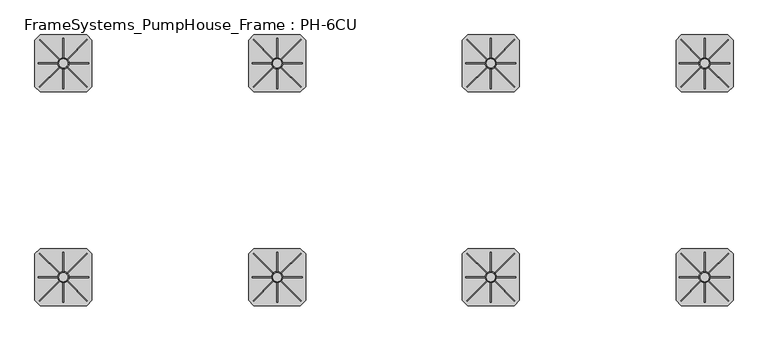
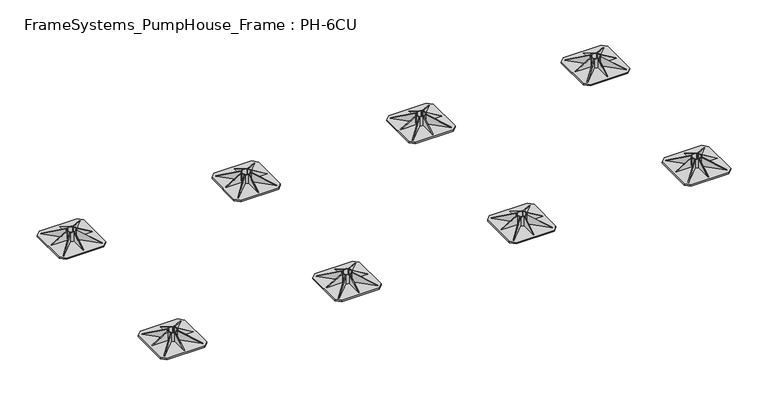
"""IFC4 building model written with IfcOpenShell, lengths in millimetres: beam geometry, FrameSystems_PumpHouse_Frame : PH-6CU."""

from ifc_helpers import new_model, si_unit, point, frame, frame_2d, origin, origin_with_axes, origin_2d, place, context, project, spatial, polyline, circle_curve, trimmed, segment, composite_curve, outline, extrude, source, transform, mapped, element, save


def framesystems_pumphouse_frame_ph_6cu_a0837420(model_context):
    return source(origin(), model_context, "Body", "SweptSolid", [
        extrude(outline(polyline([(0.0, 0.0), (169.9235121, 0.0), (145.0593839, -60.0564328), (0.0, 0.0)])), frame((3731.5218613, 1064.9426048, 10.0), z_axis=(0.7071067811865491, 0.7071067811865459, 0.0), x_axis=(-0.653327860317026, 0.653327860317029, 0.3825250499864671)), (0.0, 0.0, 1.0), 5.0),
        extrude(outline(polyline([(0.0, 0.0), (-145.0593839, -60.0564328), (-169.9235121, 0.0), (0.0, 0.0)])), frame((3468.4781387, 1064.9426048, 10.0), z_axis=(-0.7071067811865449, 0.7071067811865502, 0.0), x_axis=(-0.65332786031703, -0.653327860317025, -0.38252504998646697)), (0.0, 0.0, 1.0), 5.0),
        extrude(outline(polyline([(0.0, 0.0), (169.9235121, 0.0), (145.0593839, -60.0564328), (0.0, 0.0)])), frame((3735.0573952, 1331.5218613, 10.0), z_axis=(-0.707106781186539, 0.7071067811865561, 0.0), x_axis=(-0.6533278603170355, -0.6533278603170196, 0.3825250499864671)), (0.0, 0.0, 1.0), 5.0),
        extrude(outline(polyline([(10.0, 3458.5), (10.0, 3568.5), (75.0, 3568.5), (10.0, 3458.5)])), frame((0.0, 1197.5, 0.0), z_axis=(0.0, 1.0, 0.0), x_axis=(0.0, 0.0, 1.0)), (0.0, 0.0, 1.0), 5.0),
        extrude(outline(polyline([(1341.5, 10.0), (1231.5, 10.0), (1231.5, 75.0), (1341.5, 10.0)])), frame((3597.5, 0.0, 0.0), z_axis=(1.0, 0.0, 0.0), x_axis=(0.0, 1.0, 0.0)), (0.0, 0.0, 1.0), 5.0),
        extrude(outline(polyline([(1058.5, 10.0), (1168.5, 75.0), (1168.5, 10.0), (1058.5, 10.0)])), frame((3597.5, 0.0, 0.0), z_axis=(1.0, 0.0, 0.0), x_axis=(0.0, 1.0, 0.0)), (0.0, 0.0, 1.0), 5.0),
        extrude(outline(polyline([(0.0, 0.0), (-145.0593839, -60.0564328), (-169.9235121, 0.0), (0.0, 0.0)])), frame((3464.9426048, 1331.5218613, 10.0), z_axis=(0.7071067811865491, 0.707106781186546, 0.0), x_axis=(-0.6533278603170262, 0.653327860317029, -0.3825250499864671)), (0.0, 0.0, 1.0), 5.0),
        extrude(outline(polyline([(10.0, 3741.5), (75.0, 3631.5), (10.0, 3631.5), (10.0, 3741.5)])), frame((0.0, 1197.5, 0.0), z_axis=(0.0, 1.0, 0.0), x_axis=(0.0, 0.0, 1.0)), (0.0, 0.0, 1.0), 5.0),
        extrude(outline(composite_curve([segment(trimmed(circle_curve(frame_2d((3600.0, 1200.0)), 31.5), [point((3568.5, 1200.0))], [point((3631.5, 1200.0))], False, "CARTESIAN"), True, "CONTINUOUS"), segment(trimmed(circle_curve(frame_2d((3600.0, 1200.0)), 31.5), [point((3631.5, 1200.0))], [point((3568.5, 1200.0))], False, "CARTESIAN"), True, "CONTINUOUS")], self_intersect=False), holes=[composite_curve([segment(polyline([(3580.0, 1185.0), (3580.0, 1180.0), (3585.0, 1180.0)]), True, "CONTINUOUS"), segment(trimmed(circle_curve(frame_2d((3600.0, 1200.0)), 25.0), [point((3585.0, 1180.0))], [point((3615.0, 1180.0))], True, "CARTESIAN"), True, "CONTINUOUS"), segment(polyline([(3615.0, 1180.0), (3620.0, 1180.0), (3620.0, 1185.0)]), True, "CONTINUOUS"), segment(trimmed(circle_curve(frame_2d((3600.0, 1200.0)), 25.0), [point((3620.0, 1185.0))], [point((3620.0, 1215.0))], True, "CARTESIAN"), True, "CONTINUOUS"), segment(polyline([(3620.0, 1215.0), (3620.0, 1220.0), (3615.0, 1220.0)]), True, "CONTINUOUS"), segment(trimmed(circle_curve(frame_2d((3600.0, 1200.0)), 25.0), [point((3615.0, 1220.0))], [point((3585.0, 1220.0))], True, "CARTESIAN"), True, "CONTINUOUS"), segment(polyline([(3585.0, 1220.0), (3580.0, 1220.0), (3580.0, 1215.0)]), True, "CONTINUOUS"), segment(trimmed(circle_curve(frame_2d((3600.0, 1200.0)), 25.0), [point((3580.0, 1215.0))], [point((3580.0, 1185.0))], True, "CARTESIAN"), True, "CONTINUOUS")], self_intersect=False)]), frame((0.0, 0.0, 10.0), z_axis=(0.0, 0.0, 1.0), x_axis=(1.0, 0.0, 0.0)), (0.0, 0.0, 1.0), 65.0),
        extrude(outline(polyline([(3730.0, 1360.0), (3760.0, 1330.0), (3760.0, 1070.0), (3730.0, 1040.0), (3470.0, 1040.0), (3440.0, 1070.0), (3440.0, 1330.0), (3470.0, 1360.0), (3730.0, 1360.0)])), origin_with_axes(), (0.0, 0.0, 1.0), 10.0),
        extrude(outline(polyline([(0.0, 0.0), (169.9235121, 0.0), (145.0593839, -60.0564328), (0.0, 0.0)])), frame((3731.5218613, -135.0573952, 10.0), z_axis=(0.7071067811865491, 0.7071067811865459, 0.0), x_axis=(-0.653327860317026, 0.653327860317029, 0.3825250499864671)), (0.0, 0.0, 1.0), 5.0),
        extrude(outline(polyline([(0.0, 0.0), (-145.0593839, -60.0564328), (-169.9235121, 0.0), (0.0, 0.0)])), frame((3468.4781387, -135.0573952, 10.0), z_axis=(-0.7071067811865449, 0.7071067811865502, 0.0), x_axis=(-0.65332786031703, -0.653327860317025, -0.38252504998646697)), (0.0, 0.0, 1.0), 5.0),
        extrude(outline(polyline([(0.0, 0.0), (169.9235121, 0.0), (145.0593839, -60.0564328), (0.0, 0.0)])), frame((3735.0573952, 131.5218613, 10.0), z_axis=(-0.707106781186539, 0.7071067811865561, 0.0), x_axis=(-0.6533278603170355, -0.6533278603170196, 0.3825250499864671)), (0.0, 0.0, 1.0), 5.0),
        extrude(outline(polyline([(10.0, 3458.5), (10.0, 3568.5), (75.0, 3568.5), (10.0, 3458.5)])), frame((0.0, -2.5, 0.0), z_axis=(0.0, 1.0, 0.0), x_axis=(0.0, 0.0, 1.0)), (0.0, 0.0, 1.0), 5.0),
        extrude(outline(polyline([(141.5, 10.0), (31.5, 10.0), (31.5, 75.0), (141.5, 10.0)])), frame((3597.5, 0.0, 0.0), z_axis=(1.0, 0.0, 0.0), x_axis=(0.0, 1.0, 0.0)), (0.0, 0.0, 1.0), 5.0),
        extrude(outline(polyline([(-141.5, 10.0), (-31.5, 75.0), (-31.5, 10.0), (-141.5, 10.0)])), frame((3597.5, 0.0, 0.0), z_axis=(1.0, 0.0, 0.0), x_axis=(0.0, 1.0, 0.0)), (0.0, 0.0, 1.0), 5.0),
        extrude(outline(polyline([(0.0, 0.0), (-145.0593839, -60.0564328), (-169.9235121, 0.0), (0.0, 0.0)])), frame((3464.9426048, 131.5218613, 10.0), z_axis=(0.7071067811865491, 0.707106781186546, 0.0), x_axis=(-0.6533278603170262, 0.653327860317029, -0.3825250499864671)), (0.0, 0.0, 1.0), 5.0),
        extrude(outline(polyline([(10.0, 3741.5), (75.0, 3631.5), (10.0, 3631.5), (10.0, 3741.5)])), frame((0.0, -2.5, 0.0), z_axis=(0.0, 1.0, 0.0), x_axis=(0.0, 0.0, 1.0)), (0.0, 0.0, 1.0), 5.0),
        extrude(outline(composite_curve([segment(trimmed(circle_curve(frame_2d((3600.0, 0.0)), 31.5), [point((3568.5, 0.0))], [point((3631.5, 0.0))], False, "CARTESIAN"), True, "CONTINUOUS"), segment(trimmed(circle_curve(frame_2d((3600.0, 0.0)), 31.5), [point((3631.5, 0.0))], [point((3568.5, 0.0))], False, "CARTESIAN"), True, "CONTINUOUS")], self_intersect=False), holes=[composite_curve([segment(polyline([(3580.0, -15.0), (3580.0, -20.0), (3585.0, -20.0)]), True, "CONTINUOUS"), segment(trimmed(circle_curve(frame_2d((3600.0, 0.0)), 25.0), [point((3585.0, -20.0))], [point((3615.0, -20.0))], True, "CARTESIAN"), True, "CONTINUOUS"), segment(polyline([(3615.0, -20.0), (3620.0, -20.0), (3620.0, -15.0)]), True, "CONTINUOUS"), segment(trimmed(circle_curve(frame_2d((3600.0, 0.0)), 25.0), [point((3620.0, -15.0))], [point((3620.0, 15.0))], True, "CARTESIAN"), True, "CONTINUOUS"), segment(polyline([(3620.0, 15.0), (3620.0, 20.0), (3615.0, 20.0)]), True, "CONTINUOUS"), segment(trimmed(circle_curve(frame_2d((3600.0, 0.0)), 25.0), [point((3615.0, 20.0))], [point((3585.0, 20.0))], True, "CARTESIAN"), True, "CONTINUOUS"), segment(polyline([(3585.0, 20.0), (3580.0, 20.0), (3580.0, 15.0)]), True, "CONTINUOUS"), segment(trimmed(circle_curve(frame_2d((3600.0, 0.0)), 25.0), [point((3580.0, 15.0))], [point((3580.0, -15.0))], True, "CARTESIAN"), True, "CONTINUOUS")], self_intersect=False)]), frame((0.0, 0.0, 10.0), z_axis=(0.0, 0.0, 1.0), x_axis=(1.0, 0.0, 0.0)), (0.0, 0.0, 1.0), 65.0),
        extrude(outline(polyline([(3730.0, 160.0), (3760.0, 130.0), (3760.0, -130.0), (3730.0, -160.0), (3470.0, -160.0), (3440.0, -130.0), (3440.0, 130.0), (3470.0, 160.0), (3730.0, 160.0)])), origin_with_axes(), (0.0, 0.0, 1.0), 10.0),
        extrude(outline(polyline([(0.0, 0.0), (169.9235121, 0.0), (145.0593839, -60.0564328), (0.0, 0.0)])), frame((2531.5218613, 1064.9426048, 10.0), z_axis=(0.7071067811865491, 0.7071067811865459, 0.0), x_axis=(-0.653327860317026, 0.653327860317029, 0.3825250499864671)), (0.0, 0.0, 1.0), 5.0),
        extrude(outline(polyline([(0.0, 0.0), (-145.0593839, -60.0564328), (-169.9235121, 0.0), (0.0, 0.0)])), frame((2268.4781387, 1064.9426048, 10.0), z_axis=(-0.7071067811865449, 0.7071067811865502, 0.0), x_axis=(-0.65332786031703, -0.653327860317025, -0.38252504998646697)), (0.0, 0.0, 1.0), 5.0),
        extrude(outline(polyline([(0.0, 0.0), (169.9235121, 0.0), (145.0593839, -60.0564328), (0.0, 0.0)])), frame((2535.0573952, 1331.5218613, 10.0), z_axis=(-0.707106781186539, 0.7071067811865561, 0.0), x_axis=(-0.6533278603170355, -0.6533278603170196, 0.3825250499864671)), (0.0, 0.0, 1.0), 5.0),
        extrude(outline(polyline([(10.0, 2258.5), (10.0, 2368.5), (75.0, 2368.5), (10.0, 2258.5)])), frame((0.0, 1197.5, 0.0), z_axis=(0.0, 1.0, 0.0), x_axis=(0.0, 0.0, 1.0)), (0.0, 0.0, 1.0), 5.0),
        extrude(outline(polyline([(1341.5, 10.0), (1231.5, 10.0), (1231.5, 75.0), (1341.5, 10.0)])), frame((2397.5, 0.0, 0.0), z_axis=(1.0, 0.0, 0.0), x_axis=(0.0, 1.0, 0.0)), (0.0, 0.0, 1.0), 5.0),
        extrude(outline(polyline([(1058.5, 10.0), (1168.5, 75.0), (1168.5, 10.0), (1058.5, 10.0)])), frame((2397.5, 0.0, 0.0), z_axis=(1.0, 0.0, 0.0), x_axis=(0.0, 1.0, 0.0)), (0.0, 0.0, 1.0), 5.0),
        extrude(outline(polyline([(0.0, 0.0), (-145.0593839, -60.0564328), (-169.9235121, 0.0), (0.0, 0.0)])), frame((2264.9426048, 1331.5218613, 10.0), z_axis=(0.7071067811865491, 0.707106781186546, 0.0), x_axis=(-0.6533278603170262, 0.653327860317029, -0.3825250499864671)), (0.0, 0.0, 1.0), 5.0),
        extrude(outline(polyline([(10.0, 2541.5), (75.0, 2431.5), (10.0, 2431.5), (10.0, 2541.5)])), frame((0.0, 1197.5, 0.0), z_axis=(0.0, 1.0, 0.0), x_axis=(0.0, 0.0, 1.0)), (0.0, 0.0, 1.0), 5.0),
        extrude(outline(composite_curve([segment(trimmed(circle_curve(frame_2d((2400.0, 1200.0)), 31.5), [point((2368.5, 1200.0))], [point((2431.5, 1200.0))], False, "CARTESIAN"), True, "CONTINUOUS"), segment(trimmed(circle_curve(frame_2d((2400.0, 1200.0)), 31.5), [point((2431.5, 1200.0))], [point((2368.5, 1200.0))], False, "CARTESIAN"), True, "CONTINUOUS")], self_intersect=False), holes=[composite_curve([segment(polyline([(2380.0, 1185.0), (2380.0, 1180.0), (2385.0, 1180.0)]), True, "CONTINUOUS"), segment(trimmed(circle_curve(frame_2d((2400.0, 1200.0)), 25.0), [point((2385.0, 1180.0))], [point((2415.0, 1180.0))], True, "CARTESIAN"), True, "CONTINUOUS"), segment(polyline([(2415.0, 1180.0), (2420.0, 1180.0), (2420.0, 1185.0)]), True, "CONTINUOUS"), segment(trimmed(circle_curve(frame_2d((2400.0, 1200.0)), 25.0), [point((2420.0, 1185.0))], [point((2420.0, 1215.0))], True, "CARTESIAN"), True, "CONTINUOUS"), segment(polyline([(2420.0, 1215.0), (2420.0, 1220.0), (2415.0, 1220.0)]), True, "CONTINUOUS"), segment(trimmed(circle_curve(frame_2d((2400.0, 1200.0)), 25.0), [point((2415.0, 1220.0))], [point((2385.0, 1220.0))], True, "CARTESIAN"), True, "CONTINUOUS"), segment(polyline([(2385.0, 1220.0), (2380.0, 1220.0), (2380.0, 1215.0)]), True, "CONTINUOUS"), segment(trimmed(circle_curve(frame_2d((2400.0, 1200.0)), 25.0), [point((2380.0, 1215.0))], [point((2380.0, 1185.0))], True, "CARTESIAN"), True, "CONTINUOUS")], self_intersect=False)]), frame((0.0, 0.0, 10.0), z_axis=(0.0, 0.0, 1.0), x_axis=(1.0, 0.0, 0.0)), (0.0, 0.0, 1.0), 65.0),
        extrude(outline(polyline([(2530.0, 1360.0), (2560.0, 1330.0), (2560.0, 1070.0), (2530.0, 1040.0), (2270.0, 1040.0), (2240.0, 1070.0), (2240.0, 1330.0), (2270.0, 1360.0), (2530.0, 1360.0)])), origin_with_axes(), (0.0, 0.0, 1.0), 10.0),
        extrude(outline(polyline([(0.0, 0.0), (169.9235121, 0.0), (145.0593839, -60.0564328), (0.0, 0.0)])), frame((2531.5218613, -135.0573952, 10.0), z_axis=(0.7071067811865491, 0.7071067811865459, 0.0), x_axis=(-0.653327860317026, 0.653327860317029, 0.3825250499864671)), (0.0, 0.0, 1.0), 5.0),
        extrude(outline(polyline([(0.0, 0.0), (-145.0593839, -60.0564328), (-169.9235121, 0.0), (0.0, 0.0)])), frame((2268.4781387, -135.0573952, 10.0), z_axis=(-0.7071067811865449, 0.7071067811865502, 0.0), x_axis=(-0.65332786031703, -0.653327860317025, -0.38252504998646697)), (0.0, 0.0, 1.0), 5.0),
        extrude(outline(polyline([(0.0, 0.0), (169.9235121, 0.0), (145.0593839, -60.0564328), (0.0, 0.0)])), frame((2535.0573952, 131.5218613, 10.0), z_axis=(-0.707106781186539, 0.7071067811865561, 0.0), x_axis=(-0.6533278603170355, -0.6533278603170196, 0.3825250499864671)), (0.0, 0.0, 1.0), 5.0),
        extrude(outline(polyline([(10.0, 2258.5), (10.0, 2368.5), (75.0, 2368.5), (10.0, 2258.5)])), frame((0.0, -2.5, 0.0), z_axis=(0.0, 1.0, 0.0), x_axis=(0.0, 0.0, 1.0)), (0.0, 0.0, 1.0), 5.0),
        extrude(outline(polyline([(141.5, 10.0), (31.5, 10.0), (31.5, 75.0), (141.5, 10.0)])), frame((2397.5, 0.0, 0.0), z_axis=(1.0, 0.0, 0.0), x_axis=(0.0, 1.0, 0.0)), (0.0, 0.0, 1.0), 5.0),
        extrude(outline(polyline([(-141.5, 10.0), (-31.5, 75.0), (-31.5, 10.0), (-141.5, 10.0)])), frame((2397.5, 0.0, 0.0), z_axis=(1.0, 0.0, 0.0), x_axis=(0.0, 1.0, 0.0)), (0.0, 0.0, 1.0), 5.0),
        extrude(outline(polyline([(0.0, 0.0), (-145.0593839, -60.0564328), (-169.9235121, 0.0), (0.0, 0.0)])), frame((2264.9426048, 131.5218613, 10.0), z_axis=(0.7071067811865491, 0.707106781186546, 0.0), x_axis=(-0.6533278603170262, 0.653327860317029, -0.3825250499864671)), (0.0, 0.0, 1.0), 5.0),
        extrude(outline(polyline([(10.0, 2541.5), (75.0, 2431.5), (10.0, 2431.5), (10.0, 2541.5)])), frame((0.0, -2.5, 0.0), z_axis=(0.0, 1.0, 0.0), x_axis=(0.0, 0.0, 1.0)), (0.0, 0.0, 1.0), 5.0),
        extrude(outline(composite_curve([segment(trimmed(circle_curve(frame_2d((2400.0, 0.0)), 31.5), [point((2368.5, 0.0))], [point((2431.5, 0.0))], False, "CARTESIAN"), True, "CONTINUOUS"), segment(trimmed(circle_curve(frame_2d((2400.0, 0.0)), 31.5), [point((2431.5, 0.0))], [point((2368.5, 0.0))], False, "CARTESIAN"), True, "CONTINUOUS")], self_intersect=False), holes=[composite_curve([segment(polyline([(2380.0, -15.0), (2380.0, -20.0), (2385.0, -20.0)]), True, "CONTINUOUS"), segment(trimmed(circle_curve(frame_2d((2400.0, 0.0)), 25.0), [point((2385.0, -20.0))], [point((2415.0, -20.0))], True, "CARTESIAN"), True, "CONTINUOUS"), segment(polyline([(2415.0, -20.0), (2420.0, -20.0), (2420.0, -15.0)]), True, "CONTINUOUS"), segment(trimmed(circle_curve(frame_2d((2400.0, 0.0)), 25.0), [point((2420.0, -15.0))], [point((2420.0, 15.0))], True, "CARTESIAN"), True, "CONTINUOUS"), segment(polyline([(2420.0, 15.0), (2420.0, 20.0), (2415.0, 20.0)]), True, "CONTINUOUS"), segment(trimmed(circle_curve(frame_2d((2400.0, 0.0)), 25.0), [point((2415.0, 20.0))], [point((2385.0, 20.0))], True, "CARTESIAN"), True, "CONTINUOUS"), segment(polyline([(2385.0, 20.0), (2380.0, 20.0), (2380.0, 15.0)]), True, "CONTINUOUS"), segment(trimmed(circle_curve(frame_2d((2400.0, 0.0)), 25.0), [point((2380.0, 15.0))], [point((2380.0, -15.0))], True, "CARTESIAN"), True, "CONTINUOUS")], self_intersect=False)]), frame((0.0, 0.0, 10.0), z_axis=(0.0, 0.0, 1.0), x_axis=(1.0, 0.0, 0.0)), (0.0, 0.0, 1.0), 65.0),
        extrude(outline(polyline([(2530.0, 160.0), (2560.0, 130.0), (2560.0, -130.0), (2530.0, -160.0), (2270.0, -160.0), (2240.0, -130.0), (2240.0, 130.0), (2270.0, 160.0), (2530.0, 160.0)])), origin_with_axes(), (0.0, 0.0, 1.0), 10.0),
        extrude(outline(polyline([(0.0, 0.0), (169.9235121, 0.0), (145.0593839, -60.0564328), (0.0, 0.0)])), frame((1331.5218613, 1064.9426048, 10.0), z_axis=(0.7071067811865491, 0.7071067811865459, 0.0), x_axis=(-0.653327860317026, 0.653327860317029, 0.3825250499864671)), (0.0, 0.0, 1.0), 5.0),
        extrude(outline(polyline([(0.0, 0.0), (-145.0593839, -60.0564328), (-169.9235121, 0.0), (0.0, 0.0)])), frame((1068.4781387, 1064.9426048, 10.0), z_axis=(-0.7071067811865449, 0.7071067811865502, 0.0), x_axis=(-0.65332786031703, -0.653327860317025, -0.38252504998646697)), (0.0, 0.0, 1.0), 5.0),
        extrude(outline(polyline([(0.0, 0.0), (169.9235121, 0.0), (145.0593839, -60.0564328), (0.0, 0.0)])), frame((1335.0573952, 1331.5218613, 10.0), z_axis=(-0.707106781186539, 0.7071067811865561, 0.0), x_axis=(-0.6533278603170355, -0.6533278603170196, 0.3825250499864671)), (0.0, 0.0, 1.0), 5.0),
        extrude(outline(polyline([(10.0, 1058.5), (10.0, 1168.5), (75.0, 1168.5), (10.0, 1058.5)])), frame((0.0, 1197.5, 0.0), z_axis=(0.0, 1.0, 0.0), x_axis=(0.0, 0.0, 1.0)), (0.0, 0.0, 1.0), 5.0),
        extrude(outline(polyline([(1341.5, 10.0), (1231.5, 10.0), (1231.5, 75.0), (1341.5, 10.0)])), frame((1197.5, 0.0, 0.0), z_axis=(1.0, 0.0, 0.0), x_axis=(0.0, 1.0, 0.0)), (0.0, 0.0, 1.0), 5.0),
        extrude(outline(polyline([(1058.5, 10.0), (1168.5, 75.0), (1168.5, 10.0), (1058.5, 10.0)])), frame((1197.5, 0.0, 0.0), z_axis=(1.0, 0.0, 0.0), x_axis=(0.0, 1.0, 0.0)), (0.0, 0.0, 1.0), 5.0),
        extrude(outline(polyline([(0.0, 0.0), (-145.0593839, -60.0564328), (-169.9235121, 0.0), (0.0, 0.0)])), frame((1064.9426048, 1331.5218613, 10.0), z_axis=(0.7071067811865491, 0.707106781186546, 0.0), x_axis=(-0.6533278603170262, 0.653327860317029, -0.3825250499864671)), (0.0, 0.0, 1.0), 5.0),
        extrude(outline(polyline([(10.0, 1341.5), (75.0, 1231.5), (10.0, 1231.5), (10.0, 1341.5)])), frame((0.0, 1197.5, 0.0), z_axis=(0.0, 1.0, 0.0), x_axis=(0.0, 0.0, 1.0)), (0.0, 0.0, 1.0), 5.0),
        extrude(outline(composite_curve([segment(trimmed(circle_curve(frame_2d((1200.0, 1200.0)), 31.5), [point((1168.5, 1200.0))], [point((1231.5, 1200.0))], False, "CARTESIAN"), True, "CONTINUOUS"), segment(trimmed(circle_curve(frame_2d((1200.0, 1200.0)), 31.5), [point((1231.5, 1200.0))], [point((1168.5, 1200.0))], False, "CARTESIAN"), True, "CONTINUOUS")], self_intersect=False), holes=[composite_curve([segment(polyline([(1180.0, 1185.0), (1180.0, 1180.0), (1185.0, 1180.0)]), True, "CONTINUOUS"), segment(trimmed(circle_curve(frame_2d((1200.0, 1200.0)), 25.0), [point((1185.0, 1180.0))], [point((1215.0, 1180.0))], True, "CARTESIAN"), True, "CONTINUOUS"), segment(polyline([(1215.0, 1180.0), (1220.0, 1180.0), (1220.0, 1185.0)]), True, "CONTINUOUS"), segment(trimmed(circle_curve(frame_2d((1200.0, 1200.0)), 25.0), [point((1220.0, 1185.0))], [point((1220.0, 1215.0))], True, "CARTESIAN"), True, "CONTINUOUS"), segment(polyline([(1220.0, 1215.0), (1220.0, 1220.0), (1215.0, 1220.0)]), True, "CONTINUOUS"), segment(trimmed(circle_curve(frame_2d((1200.0, 1200.0)), 25.0), [point((1215.0, 1220.0))], [point((1185.0, 1220.0))], True, "CARTESIAN"), True, "CONTINUOUS"), segment(polyline([(1185.0, 1220.0), (1180.0, 1220.0), (1180.0, 1215.0)]), True, "CONTINUOUS"), segment(trimmed(circle_curve(frame_2d((1200.0, 1200.0)), 25.0), [point((1180.0, 1215.0))], [point((1180.0, 1185.0))], True, "CARTESIAN"), True, "CONTINUOUS")], self_intersect=False)]), frame((0.0, 0.0, 10.0), z_axis=(0.0, 0.0, 1.0), x_axis=(1.0, 0.0, 0.0)), (0.0, 0.0, 1.0), 65.0),
        extrude(outline(polyline([(1330.0, 1360.0), (1360.0, 1330.0), (1360.0, 1070.0), (1330.0, 1040.0), (1070.0, 1040.0), (1040.0, 1070.0), (1040.0, 1330.0), (1070.0, 1360.0), (1330.0, 1360.0)])), origin_with_axes(), (0.0, 0.0, 1.0), 10.0),
        extrude(outline(polyline([(0.0, 0.0), (169.9235121, 0.0), (145.0593839, -60.0564328), (0.0, 0.0)])), frame((1331.5218613, -135.0573952, 10.0), z_axis=(0.7071067811865491, 0.7071067811865459, 0.0), x_axis=(-0.653327860317026, 0.653327860317029, 0.3825250499864671)), (0.0, 0.0, 1.0), 5.0),
        extrude(outline(polyline([(0.0, 0.0), (-145.0593839, -60.0564328), (-169.9235121, 0.0), (0.0, 0.0)])), frame((1068.4781387, -135.0573952, 10.0), z_axis=(-0.7071067811865449, 0.7071067811865502, 0.0), x_axis=(-0.65332786031703, -0.653327860317025, -0.38252504998646697)), (0.0, 0.0, 1.0), 5.0),
        extrude(outline(polyline([(0.0, 0.0), (169.9235121, 0.0), (145.0593839, -60.0564328), (0.0, 0.0)])), frame((1335.0573952, 131.5218613, 10.0), z_axis=(-0.707106781186539, 0.7071067811865561, 0.0), x_axis=(-0.6533278603170355, -0.6533278603170196, 0.3825250499864671)), (0.0, 0.0, 1.0), 5.0),
        extrude(outline(polyline([(10.0, 1058.5), (10.0, 1168.5), (75.0, 1168.5), (10.0, 1058.5)])), frame((0.0, -2.5, 0.0), z_axis=(0.0, 1.0, 0.0), x_axis=(0.0, 0.0, 1.0)), (0.0, 0.0, 1.0), 5.0),
        extrude(outline(polyline([(141.5, 10.0), (31.5, 10.0), (31.5, 75.0), (141.5, 10.0)])), frame((1197.5, 0.0, 0.0), z_axis=(1.0, 0.0, 0.0), x_axis=(0.0, 1.0, 0.0)), (0.0, 0.0, 1.0), 5.0),
        extrude(outline(polyline([(-141.5, 10.0), (-31.5, 75.0), (-31.5, 10.0), (-141.5, 10.0)])), frame((1197.5, 0.0, 0.0), z_axis=(1.0, 0.0, 0.0), x_axis=(0.0, 1.0, 0.0)), (0.0, 0.0, 1.0), 5.0),
        extrude(outline(polyline([(0.0, 0.0), (-145.0593839, -60.0564328), (-169.9235121, 0.0), (0.0, 0.0)])), frame((1064.9426048, 131.5218613, 10.0), z_axis=(0.7071067811865491, 0.707106781186546, 0.0), x_axis=(-0.6533278603170262, 0.653327860317029, -0.3825250499864671)), (0.0, 0.0, 1.0), 5.0),
        extrude(outline(polyline([(10.0, 1341.5), (75.0, 1231.5), (10.0, 1231.5), (10.0, 1341.5)])), frame((0.0, -2.5, 0.0), z_axis=(0.0, 1.0, 0.0), x_axis=(0.0, 0.0, 1.0)), (0.0, 0.0, 1.0), 5.0),
        extrude(outline(composite_curve([segment(trimmed(circle_curve(frame_2d((1200.0, 0.0)), 31.5), [point((1168.5, 0.0))], [point((1231.5, 0.0))], False, "CARTESIAN"), True, "CONTINUOUS"), segment(trimmed(circle_curve(frame_2d((1200.0, 0.0)), 31.5), [point((1231.5, 0.0))], [point((1168.5, 0.0))], False, "CARTESIAN"), True, "CONTINUOUS")], self_intersect=False), holes=[composite_curve([segment(polyline([(1180.0, -15.0), (1180.0, -20.0), (1185.0, -20.0)]), True, "CONTINUOUS"), segment(trimmed(circle_curve(frame_2d((1200.0, 0.0)), 25.0), [point((1185.0, -20.0))], [point((1215.0, -20.0))], True, "CARTESIAN"), True, "CONTINUOUS"), segment(polyline([(1215.0, -20.0), (1220.0, -20.0), (1220.0, -15.0)]), True, "CONTINUOUS"), segment(trimmed(circle_curve(frame_2d((1200.0, 0.0)), 25.0), [point((1220.0, -15.0))], [point((1220.0, 15.0))], True, "CARTESIAN"), True, "CONTINUOUS"), segment(polyline([(1220.0, 15.0), (1220.0, 20.0), (1215.0, 20.0)]), True, "CONTINUOUS"), segment(trimmed(circle_curve(frame_2d((1200.0, 0.0)), 25.0), [point((1215.0, 20.0))], [point((1185.0, 20.0))], True, "CARTESIAN"), True, "CONTINUOUS"), segment(polyline([(1185.0, 20.0), (1180.0, 20.0), (1180.0, 15.0)]), True, "CONTINUOUS"), segment(trimmed(circle_curve(frame_2d((1200.0, 0.0)), 25.0), [point((1180.0, 15.0))], [point((1180.0, -15.0))], True, "CARTESIAN"), True, "CONTINUOUS")], self_intersect=False)]), frame((0.0, 0.0, 10.0), z_axis=(0.0, 0.0, 1.0), x_axis=(1.0, 0.0, 0.0)), (0.0, 0.0, 1.0), 65.0),
        extrude(outline(polyline([(1330.0, 160.0), (1360.0, 130.0), (1360.0, -130.0), (1330.0, -160.0), (1070.0, -160.0), (1040.0, -130.0), (1040.0, 130.0), (1070.0, 160.0), (1330.0, 160.0)])), origin_with_axes(), (0.0, 0.0, 1.0), 10.0),
        extrude(outline(polyline([(0.0, 0.0), (169.9235121, 0.0), (145.0593839, -60.0564328), (0.0, 0.0)])), frame((131.5218613, 1064.9426048, 10.0), z_axis=(0.7071067811865491, 0.7071067811865459, 0.0), x_axis=(-0.653327860317026, 0.653327860317029, 0.3825250499864671)), (0.0, 0.0, 1.0), 5.0),
        extrude(outline(polyline([(0.0, 0.0), (-145.0593839, -60.0564328), (-169.9235121, 0.0), (0.0, 0.0)])), frame((-131.5218613, 1064.9426048, 10.0), z_axis=(-0.7071067811865449, 0.7071067811865502, 0.0), x_axis=(-0.65332786031703, -0.653327860317025, -0.38252504998646697)), (0.0, 0.0, 1.0), 5.0),
        extrude(outline(polyline([(0.0, 0.0), (169.9235121, 0.0), (145.0593839, -60.0564328), (0.0, 0.0)])), frame((135.0573952, 1331.5218613, 10.0), z_axis=(-0.707106781186539, 0.7071067811865561, 0.0), x_axis=(-0.6533278603170355, -0.6533278603170196, 0.3825250499864671)), (0.0, 0.0, 1.0), 5.0),
        extrude(outline(polyline([(10.0, -141.5), (10.0, -31.5), (75.0, -31.5), (10.0, -141.5)])), frame((0.0, 1197.5, 0.0), z_axis=(0.0, 1.0, 0.0), x_axis=(0.0, 0.0, 1.0)), (0.0, 0.0, 1.0), 5.0),
        extrude(outline(polyline([(1341.5, 10.0), (1231.5, 10.0), (1231.5, 75.0), (1341.5, 10.0)])), frame((-2.5, 0.0, 0.0), z_axis=(1.0, 0.0, 0.0), x_axis=(0.0, 1.0, 0.0)), (0.0, 0.0, 1.0), 5.0),
        extrude(outline(polyline([(1058.5, 10.0), (1168.5, 75.0), (1168.5, 10.0), (1058.5, 10.0)])), frame((-2.5, 0.0, 0.0), z_axis=(1.0, 0.0, 0.0), x_axis=(0.0, 1.0, 0.0)), (0.0, 0.0, 1.0), 5.0),
        extrude(outline(polyline([(0.0, 0.0), (-145.0593839, -60.0564328), (-169.9235121, 0.0), (0.0, 0.0)])), frame((-135.0573952, 1331.5218613, 10.0), z_axis=(0.7071067811865491, 0.707106781186546, 0.0), x_axis=(-0.6533278603170262, 0.653327860317029, -0.3825250499864671)), (0.0, 0.0, 1.0), 5.0),
        extrude(outline(polyline([(10.0, 141.5), (75.0, 31.5), (10.0, 31.5), (10.0, 141.5)])), frame((0.0, 1197.5, 0.0), z_axis=(0.0, 1.0, 0.0), x_axis=(0.0, 0.0, 1.0)), (0.0, 0.0, 1.0), 5.0),
        extrude(outline(composite_curve([segment(trimmed(circle_curve(frame_2d((0.0, 1200.0)), 31.5), [point((-31.5, 1200.0))], [point((31.5, 1200.0))], False, "CARTESIAN"), True, "CONTINUOUS"), segment(trimmed(circle_curve(frame_2d((0.0, 1200.0)), 31.5), [point((31.5, 1200.0))], [point((-31.5, 1200.0))], False, "CARTESIAN"), True, "CONTINUOUS")], self_intersect=False), holes=[composite_curve([segment(polyline([(-20.0, 1185.0), (-20.0, 1180.0), (-15.0, 1180.0)]), True, "CONTINUOUS"), segment(trimmed(circle_curve(frame_2d((0.0, 1200.0)), 25.0), [point((-15.0, 1180.0))], [point((15.0, 1180.0))], True, "CARTESIAN"), True, "CONTINUOUS"), segment(polyline([(15.0, 1180.0), (20.0, 1180.0), (20.0, 1185.0)]), True, "CONTINUOUS"), segment(trimmed(circle_curve(frame_2d((0.0, 1200.0)), 25.0), [point((20.0, 1185.0))], [point((20.0, 1215.0))], True, "CARTESIAN"), True, "CONTINUOUS"), segment(polyline([(20.0, 1215.0), (20.0, 1220.0), (15.0, 1220.0)]), True, "CONTINUOUS"), segment(trimmed(circle_curve(frame_2d((0.0, 1200.0)), 25.0), [point((15.0, 1220.0))], [point((-15.0, 1220.0))], True, "CARTESIAN"), True, "CONTINUOUS"), segment(polyline([(-15.0, 1220.0), (-20.0, 1220.0), (-20.0, 1215.0)]), True, "CONTINUOUS"), segment(trimmed(circle_curve(frame_2d((0.0, 1200.0)), 25.0), [point((-20.0, 1215.0))], [point((-20.0, 1185.0))], True, "CARTESIAN"), True, "CONTINUOUS")], self_intersect=False)]), frame((0.0, 0.0, 10.0), z_axis=(0.0, 0.0, 1.0), x_axis=(1.0, 0.0, 0.0)), (0.0, 0.0, 1.0), 65.0),
        extrude(outline(polyline([(130.0, 1360.0), (160.0, 1330.0), (160.0, 1070.0), (130.0, 1040.0), (-130.0, 1040.0), (-160.0, 1070.0), (-160.0, 1330.0), (-130.0, 1360.0), (130.0, 1360.0)])), origin_with_axes(), (0.0, 0.0, 1.0), 10.0),
        extrude(outline(polyline([(0.0, 0.0), (169.9235121, 0.0), (145.0593839, -60.0564328), (0.0, 0.0)])), frame((131.5218613, -135.0573952, 10.0), z_axis=(0.7071067811865491, 0.7071067811865459, 0.0), x_axis=(-0.653327860317026, 0.653327860317029, 0.3825250499864671)), (0.0, 0.0, 1.0), 5.0),
        extrude(outline(polyline([(0.0, 0.0), (-145.0593839, -60.0564328), (-169.9235121, 0.0), (0.0, 0.0)])), frame((-131.5218613, -135.0573952, 10.0), z_axis=(-0.7071067811865449, 0.7071067811865502, 0.0), x_axis=(-0.65332786031703, -0.653327860317025, -0.38252504998646697)), (0.0, 0.0, 1.0), 5.0),
        extrude(outline(polyline([(0.0, 0.0), (169.9235121, 0.0), (145.0593839, -60.0564328), (0.0, 0.0)])), frame((135.0573952, 131.5218613, 10.0), z_axis=(-0.707106781186539, 0.7071067811865561, 0.0), x_axis=(-0.6533278603170355, -0.6533278603170196, 0.3825250499864671)), (0.0, 0.0, 1.0), 5.0),
        extrude(outline(polyline([(10.0, -141.5), (10.0, -31.5), (75.0, -31.5), (10.0, -141.5)])), frame((0.0, -2.5, 0.0), z_axis=(0.0, 1.0, 0.0), x_axis=(0.0, 0.0, 1.0)), (0.0, 0.0, 1.0), 5.0),
        extrude(outline(polyline([(141.5, 10.0), (31.5, 10.0), (31.5, 75.0), (141.5, 10.0)])), frame((-2.5, 0.0, 0.0), z_axis=(1.0, 0.0, 0.0), x_axis=(0.0, 1.0, 0.0)), (0.0, 0.0, 1.0), 5.0),
        extrude(outline(polyline([(-141.5, 10.0), (-31.5, 75.0), (-31.5, 10.0), (-141.5, 10.0)])), frame((-2.5, 0.0, 0.0), z_axis=(1.0, 0.0, 0.0), x_axis=(0.0, 1.0, 0.0)), (0.0, 0.0, 1.0), 5.0),
        extrude(outline(polyline([(0.0, 0.0), (-145.0593839, -60.0564328), (-169.9235121, 0.0), (0.0, 0.0)])), frame((-135.0573952, 131.5218613, 10.0), z_axis=(0.7071067811865491, 0.707106781186546, 0.0), x_axis=(-0.6533278603170262, 0.653327860317029, -0.3825250499864671)), (0.0, 0.0, 1.0), 5.0),
        extrude(outline(polyline([(10.0, 141.5), (75.0, 31.5), (10.0, 31.5), (10.0, 141.5)])), frame((0.0, -2.5, 0.0), z_axis=(0.0, 1.0, 0.0), x_axis=(0.0, 0.0, 1.0)), (0.0, 0.0, 1.0), 5.0),
        extrude(outline(composite_curve([segment(trimmed(circle_curve(origin_2d(), 31.5), [point((-31.5, 0.0))], [point((31.5, 0.0))], False, "CARTESIAN"), True, "CONTINUOUS"), segment(trimmed(circle_curve(origin_2d(), 31.5), [point((31.5, 0.0))], [point((-31.5, 0.0))], False, "CARTESIAN"), True, "CONTINUOUS")], self_intersect=False), holes=[composite_curve([segment(polyline([(-20.0, -15.0), (-20.0, -20.0), (-15.0, -20.0)]), True, "CONTINUOUS"), segment(trimmed(circle_curve(origin_2d(), 25.0), [point((-15.0, -20.0))], [point((15.0, -20.0))], True, "CARTESIAN"), True, "CONTINUOUS"), segment(polyline([(15.0, -20.0), (20.0, -20.0), (20.0, -15.0)]), True, "CONTINUOUS"), segment(trimmed(circle_curve(origin_2d(), 25.0), [point((20.0, -15.0))], [point((20.0, 15.0))], True, "CARTESIAN"), True, "CONTINUOUS"), segment(polyline([(20.0, 15.0), (20.0, 20.0), (15.0, 20.0)]), True, "CONTINUOUS"), segment(trimmed(circle_curve(origin_2d(), 25.0), [point((15.0, 20.0))], [point((-15.0, 20.0))], True, "CARTESIAN"), True, "CONTINUOUS"), segment(polyline([(-15.0, 20.0), (-20.0, 20.0), (-20.0, 15.0)]), True, "CONTINUOUS"), segment(trimmed(circle_curve(origin_2d(), 25.0), [point((-20.0, 15.0))], [point((-20.0, -15.0))], True, "CARTESIAN"), True, "CONTINUOUS")], self_intersect=False)]), frame((0.0, 0.0, 10.0), z_axis=(0.0, 0.0, 1.0), x_axis=(1.0, 0.0, 0.0)), (0.0, 0.0, 1.0), 65.0),
        extrude(outline(polyline([(130.0, 160.0), (160.0, 130.0), (160.0, -130.0), (130.0, -160.0), (-130.0, -160.0), (-160.0, -130.0), (-160.0, 130.0), (-130.0, 160.0), (130.0, 160.0)])), origin_with_axes(), (0.0, 0.0, 1.0), 10.0),
    ])


if __name__ == "__main__":
    model = new_model("IFC4")
    model_context = context("Model", 3, world=origin())
    ifc_project = project(units=[si_unit("LENGTHUNIT", "METRE", prefix="MILLI")], contexts=[model_context])
    site = spatial("IfcSite", under=ifc_project)
    building = spatial("IfcBuilding", under=site)
    placement = place(None, origin())
    framesystems_pumphouse_frame_ph_6cu_shape = framesystems_pumphouse_frame_ph_6cu_a0837420(model_context)
    element("IfcBeam", 1, ObjectType="FrameSystems_PumpHouse_Frame : PH-6CU", at=placement, inside=building, context=model_context, shape_type="MappedRepresentation", body=[
        mapped(framesystems_pumphouse_frame_ph_6cu_shape, transform((0.0, 0.0, 0.0), x_axis=(1.0, 0.0, 0.0), y_axis=(0.0, 1.0, 0.0), z_axis=(0.0, 0.0, 1.0))),
    ])
    save(model, "model.ifc")
